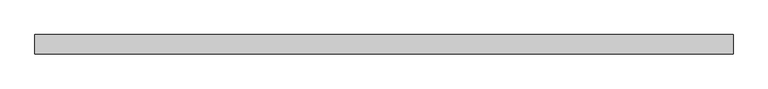
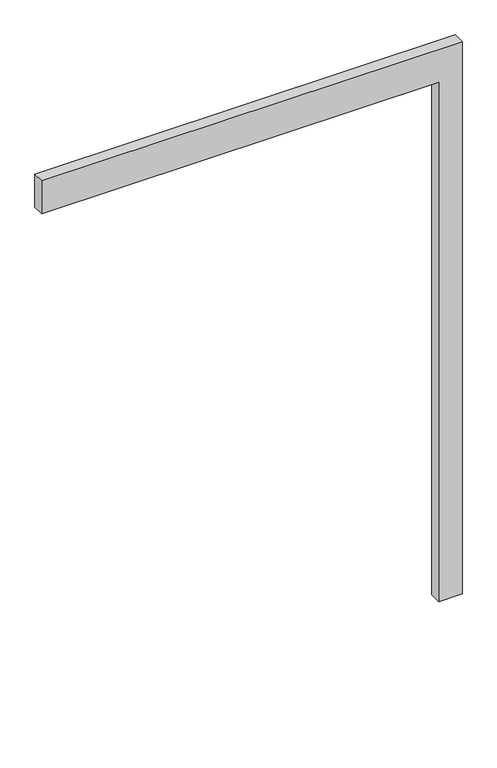
"""IFC4 building model written with IfcOpenShell, lengths in millimetres: proxy geometry."""

from ifc_helpers import new_model, si_unit, frame, origin, place, context, project, spatial, polyline, outline, extrude, source, transform, mapped, element, save


def generic_models_a70bfbdd(model_context):
    return source(origin(), model_context, "Body", "SweptSolid", [
        extrude(outline(polyline([(2350.0, -1700.0), (2350.0, 0.0), (0.0, 0.0), (0.0, 100.0), (2500.0, 100.0), (2500.0, -1700.0), (2350.0, -1700.0)])), frame((0.0, -50.0, 0.0), z_axis=(0.0, 1.0, 0.0), x_axis=(0.0, 0.0, 1.0)), (0.0, 0.0, 1.0), 50.0),
    ])


if __name__ == "__main__":
    model = new_model("IFC4")
    model_context = context("Model", 3, world=origin())
    ifc_project = project(units=[si_unit("LENGTHUNIT", "METRE", prefix="MILLI")], contexts=[model_context])
    site = spatial("IfcSite", under=ifc_project)
    building = spatial("IfcBuilding", under=site)
    placement = place(None, origin())
    generic_models_shape = generic_models_a70bfbdd(model_context)
    element("IfcBuildingElementProxy", 1, Name="Generic Models", at=placement, inside=building, context=model_context, shape_type="MappedRepresentation", body=[
        mapped(generic_models_shape, transform((0.0, 0.0, 0.0), x_axis=(1.0, 0.0, 0.0), y_axis=(0.0, 1.0, 0.0), z_axis=(0.0, 0.0, 1.0))),
    ])
    save(model, "model.ifc")
